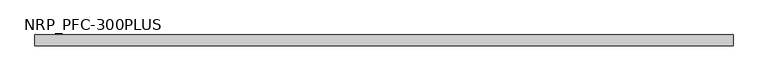
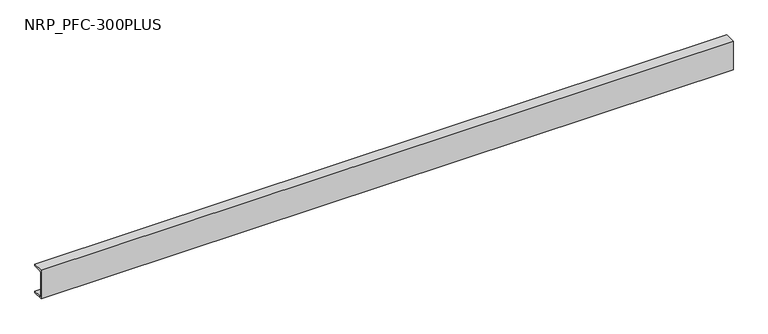
"""IFC4 building model written with IfcOpenShell, lengths in millimetres: member geometry, NRP_PFC-300PLUS."""

from ifc_helpers import new_model, si_unit, point, frame, frame_2d, origin, place, context, project, spatial, polyline, circle_curve, trimmed, segment, composite_curve, outline, extrude, source, transform, mapped, element, save


def nrp_pfc_300plus_1d9c8557(model_context):
    return source(origin(), model_context, "Body", "SweptSolid", [
        extrude(outline(composite_curve([segment(polyline([(-28.6, 125.0), (61.4, 125.0), (61.4, 110.0), (-8.6, 110.0)]), True, "CONTINUOUS"), segment(trimmed(circle_curve(frame_2d((-8.6, 98.0)), 12.0), [point((-8.6, 110.0))], [point((-20.6, 98.0))], True, "CARTESIAN"), True, "CONTINUOUS"), segment(polyline([(-20.6, 98.0), (-20.6, -98.0)]), True, "CONTINUOUS"), segment(trimmed(circle_curve(frame_2d((-8.6, -98.0)), 12.0), [point((-20.6, -98.0))], [point((-8.6, -110.0))], True, "CARTESIAN"), True, "CONTINUOUS"), segment(polyline([(-8.6, -110.0), (61.4, -110.0), (61.4, -125.0), (-28.6, -125.0), (-28.6, 125.0)]), True, "CONTINUOUS")], self_intersect=False)), frame((-2850.0, 0.0, 0.0), z_axis=(1.0, 0.0, 0.0), x_axis=(0.0, 1.0, 0.0)), (0.0, 0.0, 1.0), 5700.0),
    ])


if __name__ == "__main__":
    model = new_model("IFC4")
    model_context = context("Model", 3, world=origin())
    ifc_project = project(units=[si_unit("LENGTHUNIT", "METRE", prefix="MILLI")], contexts=[model_context])
    site = spatial("IfcSite", under=ifc_project)
    building = spatial("IfcBuilding", under=site)
    placement = place(None, origin())
    nrp_pfc_300plus_shape = nrp_pfc_300plus_1d9c8557(model_context)
    element("IfcMember", 1, ObjectType="NRP_PFC-300PLUS", at=placement, inside=building, context=model_context, shape_type="MappedRepresentation", body=[
        mapped(nrp_pfc_300plus_shape, transform((0.0, 0.0, 0.0), x_axis=(1.0, 0.0, 0.0), y_axis=(0.0, 1.0, 0.0), z_axis=(0.0, 0.0, 1.0))),
    ])
    save(model, "model.ifc")
